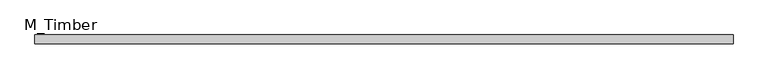
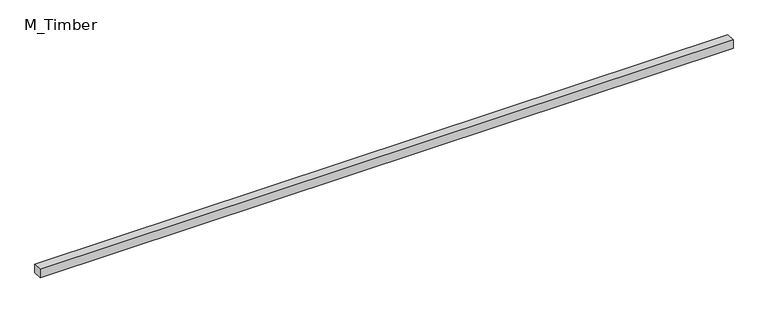
"""IFC4 building model written with IfcOpenShell, lengths in millimetres: beam geometry, M_Timber."""

from ifc_helpers import new_model, si_unit, frame, origin, place, context, project, spatial, polyline, outline, extrude, source, transform, mapped, element, save


def m_timber_680e6a83(model_context):
    return source(origin(), model_context, "Body", "SweptSolid", [
        extrude(outline(polyline([(1570.4993315, 20.0), (1570.4993315, -20.0), (-1570.4993315, -20.0), (-1570.4993315, 20.0), (1570.4993315, 20.0)])), frame((0.0, 0.0, -20.0), z_axis=(0.0, 0.0, 1.0), x_axis=(1.0, 0.0, 0.0)), (0.0, 0.0, 1.0), 40.0),
    ])


if __name__ == "__main__":
    model = new_model("IFC4")
    model_context = context("Model", 3, world=origin())
    ifc_project = project(units=[si_unit("LENGTHUNIT", "METRE", prefix="MILLI")], contexts=[model_context])
    site = spatial("IfcSite", under=ifc_project)
    building = spatial("IfcBuilding", under=site)
    placement = place(None, origin())
    m_timber_shape = m_timber_680e6a83(model_context)
    element("IfcBeam", 1, ObjectType="M_Timber", at=placement, inside=building, context=model_context, shape_type="MappedRepresentation", body=[
        mapped(m_timber_shape, transform((0.0, 0.0, 0.0), x_axis=(1.0, 0.0, 0.0), y_axis=(0.0, 1.0, 0.0), z_axis=(0.0, 0.0, 1.0))),
    ])
    save(model, "model.ifc")
